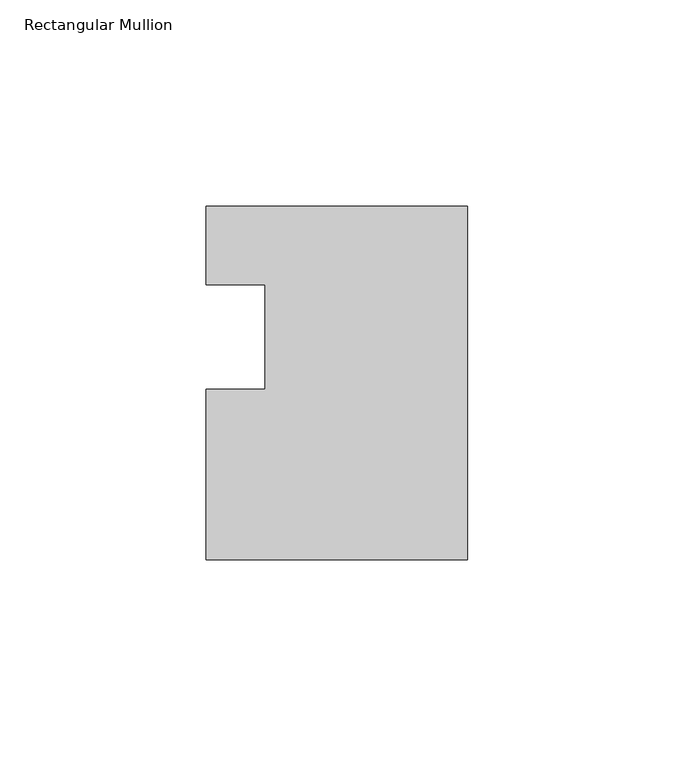
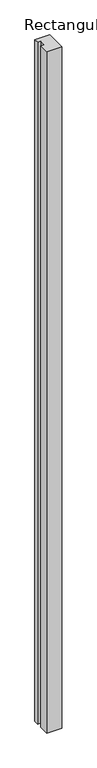
"""IFC4 building model written with IfcOpenShell, lengths in millimetres: member geometry, Rectangular Mullion."""

from ifc_helpers import new_model, si_unit, frame, origin, place, context, project, spatial, polyline, outline, extrude, source, transform, mapped, element, save


def rectangular_mullion_09291bfe(model_context):
    return source(origin(), model_context, "Body", "SweptSolid", [
        extrude(outline(polyline([(-0.000129, 31.7245455), (0.0, -54.0133409), (-63.5, -54.0134364), (-63.5000621, -12.738415), (-49.2252621, -12.738415), (-49.2253003, 12.661585), (-63.4960612, 12.6616148), (-63.4999406, 31.7116144), (-0.000129, 31.7245455)])), frame((0.0, 0.0, -3048.0), z_axis=(0.0, 0.0, 1.0), x_axis=(1.0, 0.0, 0.0)), (0.0, 0.0, 1.0), 3048.0),
    ])


if __name__ == "__main__":
    model = new_model("IFC4")
    model_context = context("Model", 3, world=origin())
    ifc_project = project(units=[si_unit("LENGTHUNIT", "METRE", prefix="MILLI")], contexts=[model_context])
    site = spatial("IfcSite", under=ifc_project)
    building = spatial("IfcBuilding", under=site)
    placement = place(None, origin())
    rectangular_mullion_shape = rectangular_mullion_09291bfe(model_context)
    element("IfcMember", 1, ObjectType="Rectangular Mullion", at=placement, inside=building, context=model_context, shape_type="MappedRepresentation", body=[
        mapped(rectangular_mullion_shape, transform((0.0, 0.0, 0.0), x_axis=(1.0, 0.0, 0.0), y_axis=(0.0, 1.0, 0.0), z_axis=(0.0, 0.0, 1.0))),
    ])
    save(model, "model.ifc")
